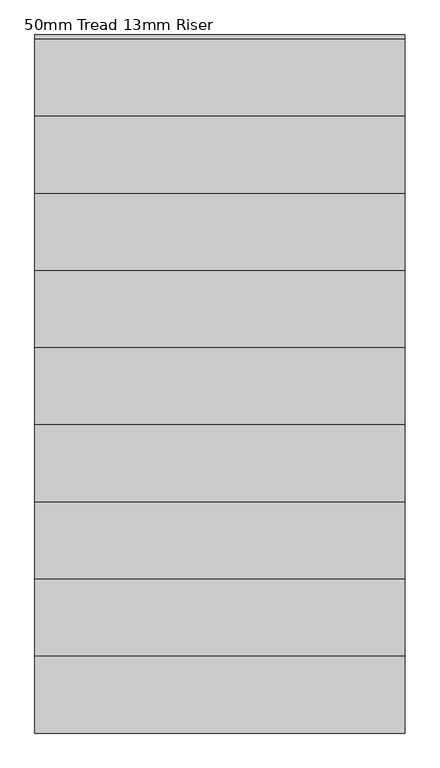
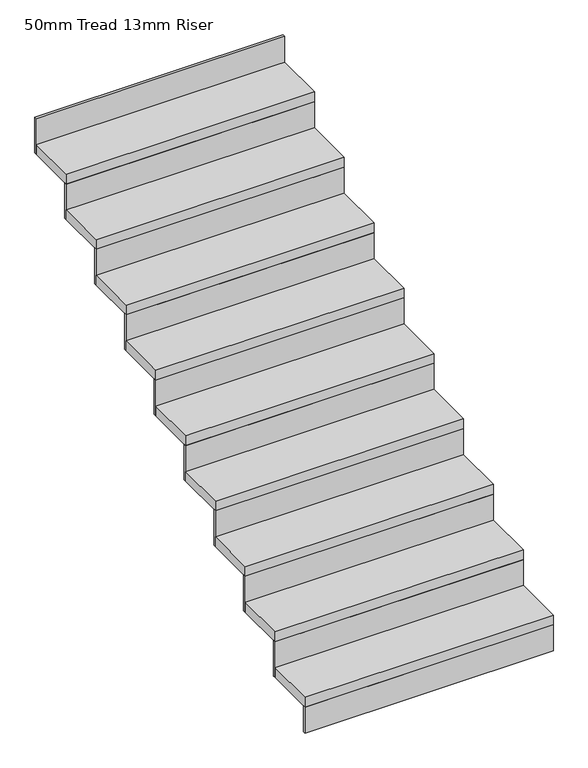
"""IFC4 building model written with IfcOpenShell, lengths in millimetres: stair flight geometry, 50mm Tread 13mm Riser."""

from ifc_helpers import new_model, si_unit, frame, origin, place, context, project, spatial, polyline, outline, extrude, source, transform, mapped, element, save


def stair_flight_50mm_tread_13mm_riser_7a6ca1dd(model_context):
    return source(origin(), model_context, "Body", "SweptSolid", [
        extrude(outline(polyline([(-21418.8294643, 590.3449078), (-21418.8294643, 577.8449078), (-22618.8294643, 577.8449078), (-22618.8294643, 590.3449078), (-21418.8294643, 590.3449078)])), frame((0.0, 0.0, 12750.0), z_axis=(0.0, 0.0, 1.0), x_axis=(1.0, 0.0, 0.0)), (0.0, 0.0, 1.0), 132.5),
        extrude(outline(polyline([(-22618.8294643, 827.8449078), (-21418.8294643, 827.8449078), (-21418.8294643, 577.8449078), (-22618.8294643, 577.8449078), (-22618.8294643, 827.8449078)])), frame((0.0, 0.0, 12882.5), z_axis=(0.0, 0.0, 1.0), x_axis=(1.0, 0.0, 0.0)), (0.0, 0.0, 1.0), 50.0),
        extrude(outline(polyline([(-21418.8294643, 840.3449078), (-21418.8294643, 827.8449078), (-22618.8294643, 827.8449078), (-22618.8294643, 840.3449078), (-21418.8294643, 840.3449078)])), frame((0.0, 0.0, 12882.5), z_axis=(0.0, 0.0, 1.0), x_axis=(1.0, 0.0, 0.0)), (0.0, 0.0, 1.0), 182.5),
        extrude(outline(polyline([(-22618.8294643, 1077.8449078), (-21418.8294643, 1077.8449078), (-21418.8294643, 827.8449078), (-22618.8294643, 827.8449078), (-22618.8294643, 1077.8449078)])), frame((0.0, 0.0, 13065.0), z_axis=(0.0, 0.0, 1.0), x_axis=(1.0, 0.0, 0.0)), (0.0, 0.0, 1.0), 50.0),
        extrude(outline(polyline([(-21418.8294643, 1090.3449078), (-21418.8294643, 1077.8449078), (-22618.8294643, 1077.8449078), (-22618.8294643, 1090.3449078), (-21418.8294643, 1090.3449078)])), frame((0.0, 0.0, 13065.0), z_axis=(0.0, 0.0, 1.0), x_axis=(1.0, 0.0, 0.0)), (0.0, 0.0, 1.0), 182.5),
        extrude(outline(polyline([(-22618.8294643, 1327.8449078), (-21418.8294643, 1327.8449078), (-21418.8294643, 1077.8449078), (-22618.8294643, 1077.8449078), (-22618.8294643, 1327.8449078)])), frame((0.0, 0.0, 13247.5), z_axis=(0.0, 0.0, 1.0), x_axis=(1.0, 0.0, 0.0)), (0.0, 0.0, 1.0), 50.0),
        extrude(outline(polyline([(-21418.8294643, 1340.3449078), (-21418.8294643, 1327.8449078), (-22618.8294643, 1327.8449078), (-22618.8294643, 1340.3449078), (-21418.8294643, 1340.3449078)])), frame((0.0, 0.0, 13247.5), z_axis=(0.0, 0.0, 1.0), x_axis=(1.0, 0.0, 0.0)), (0.0, 0.0, 1.0), 182.5),
        extrude(outline(polyline([(-22618.8294643, 1577.8449078), (-21418.8294643, 1577.8449078), (-21418.8294643, 1327.8449078), (-22618.8294643, 1327.8449078), (-22618.8294643, 1577.8449078)])), frame((0.0, 0.0, 13430.0), z_axis=(0.0, 0.0, 1.0), x_axis=(1.0, 0.0, 0.0)), (0.0, 0.0, 1.0), 50.0),
        extrude(outline(polyline([(-21418.8294643, 1590.3449078), (-21418.8294643, 1577.8449078), (-22618.8294643, 1577.8449078), (-22618.8294643, 1590.3449078), (-21418.8294643, 1590.3449078)])), frame((0.0, 0.0, 13430.0), z_axis=(0.0, 0.0, 1.0), x_axis=(1.0, 0.0, 0.0)), (0.0, 0.0, 1.0), 182.5),
        extrude(outline(polyline([(-22618.8294643, 1827.8449078), (-21418.8294643, 1827.8449078), (-21418.8294643, 1577.8449078), (-22618.8294643, 1577.8449078), (-22618.8294643, 1827.8449078)])), frame((0.0, 0.0, 13612.5), z_axis=(0.0, 0.0, 1.0), x_axis=(1.0, 0.0, 0.0)), (0.0, 0.0, 1.0), 50.0),
        extrude(outline(polyline([(-21418.8294643, 1840.3449078), (-21418.8294643, 1827.8449078), (-22618.8294643, 1827.8449078), (-22618.8294643, 1840.3449078), (-21418.8294643, 1840.3449078)])), frame((0.0, 0.0, 13612.5), z_axis=(0.0, 0.0, 1.0), x_axis=(1.0, 0.0, 0.0)), (0.0, 0.0, 1.0), 182.5),
        extrude(outline(polyline([(-22618.8294643, 2077.8449078), (-21418.8294643, 2077.8449078), (-21418.8294643, 1827.8449078), (-22618.8294643, 1827.8449078), (-22618.8294643, 2077.8449078)])), frame((0.0, 0.0, 13795.0), z_axis=(0.0, 0.0, 1.0), x_axis=(1.0, 0.0, 0.0)), (0.0, 0.0, 1.0), 50.0),
        extrude(outline(polyline([(-21418.8294643, 2090.3449078), (-21418.8294643, 2077.8449078), (-22618.8294643, 2077.8449078), (-22618.8294643, 2090.3449078), (-21418.8294643, 2090.3449078)])), frame((0.0, 0.0, 13795.0), z_axis=(0.0, 0.0, 1.0), x_axis=(1.0, 0.0, 0.0)), (0.0, 0.0, 1.0), 182.5),
        extrude(outline(polyline([(-22618.8294643, 2327.8449078), (-21418.8294643, 2327.8449078), (-21418.8294643, 2077.8449078), (-22618.8294643, 2077.8449078), (-22618.8294643, 2327.8449078)])), frame((0.0, 0.0, 13977.5), z_axis=(0.0, 0.0, 1.0), x_axis=(1.0, 0.0, 0.0)), (0.0, 0.0, 1.0), 50.0),
        extrude(outline(polyline([(-21418.8294643, 2340.3449078), (-21418.8294643, 2327.8449078), (-22618.8294643, 2327.8449078), (-22618.8294643, 2340.3449078), (-21418.8294643, 2340.3449078)])), frame((0.0, 0.0, 13977.5), z_axis=(0.0, 0.0, 1.0), x_axis=(1.0, 0.0, 0.0)), (0.0, 0.0, 1.0), 182.5),
        extrude(outline(polyline([(-22618.8294643, 2577.8449078), (-21418.8294643, 2577.8449078), (-21418.8294643, 2327.8449078), (-22618.8294643, 2327.8449078), (-22618.8294643, 2577.8449078)])), frame((0.0, 0.0, 14160.0), z_axis=(0.0, 0.0, 1.0), x_axis=(1.0, 0.0, 0.0)), (0.0, 0.0, 1.0), 50.0),
        extrude(outline(polyline([(-21418.8294643, 2590.3449078), (-21418.8294643, 2577.8449078), (-22618.8294643, 2577.8449078), (-22618.8294643, 2590.3449078), (-21418.8294643, 2590.3449078)])), frame((0.0, 0.0, 14160.0), z_axis=(0.0, 0.0, 1.0), x_axis=(1.0, 0.0, 0.0)), (0.0, 0.0, 1.0), 182.5),
        extrude(outline(polyline([(-22618.8294643, 2827.8449078), (-21418.8294643, 2827.8449078), (-21418.8294643, 2577.8449078), (-22618.8294643, 2577.8449078), (-22618.8294643, 2827.8449078)])), frame((0.0, 0.0, 14342.5), z_axis=(0.0, 0.0, 1.0), x_axis=(1.0, 0.0, 0.0)), (0.0, 0.0, 1.0), 50.0),
        extrude(outline(polyline([(-21418.8294643, 2840.3449078), (-21418.8294643, 2827.8449078), (-22618.8294643, 2827.8449078), (-22618.8294643, 2840.3449078), (-21418.8294643, 2840.3449078)])), frame((0.0, 0.0, 14342.5), z_axis=(0.0, 0.0, 1.0), x_axis=(1.0, 0.0, 0.0)), (0.0, 0.0, 1.0), 182.5),
    ])


if __name__ == "__main__":
    model = new_model("IFC4")
    model_context = context("Model", 3, world=origin())
    ifc_project = project(units=[si_unit("LENGTHUNIT", "METRE", prefix="MILLI")], contexts=[model_context])
    site = spatial("IfcSite", under=ifc_project)
    building = spatial("IfcBuilding", under=site)
    placement = place(None, origin())
    stair_flight_50mm_tread_13mm_riser_shape = stair_flight_50mm_tread_13mm_riser_7a6ca1dd(model_context)
    element("IfcStairFlight", 1, ObjectType="50mm Tread 13mm Riser", at=placement, inside=building, context=model_context, shape_type="MappedRepresentation", body=[
        mapped(stair_flight_50mm_tread_13mm_riser_shape, transform((0.0, 0.0, 0.0), x_axis=(1.0, 0.0, 0.0), y_axis=(0.0, 1.0, 0.0), z_axis=(0.0, 0.0, 1.0))),
    ])
    save(model, "model.ifc")
